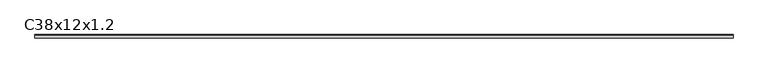
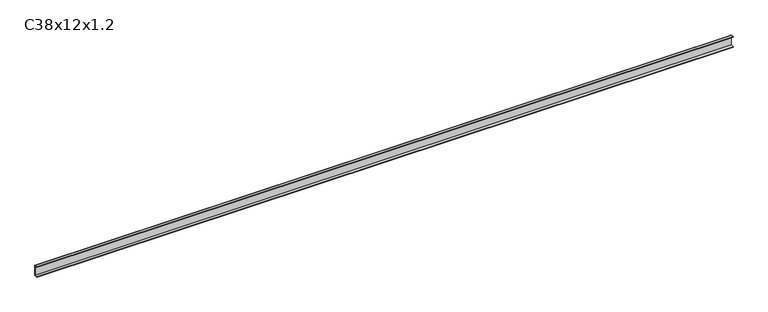
"""IFC4 building model written with IfcOpenShell, lengths in millimetres: proxy geometry, C38x12x1.2."""

import ifcopenshell
import ifcopenshell.guid

model = None  # the IFC model being written
_history = None  # IfcOwnerHistory: only IFC2X3 demands one
_inside = {}  # id of a spatial element -> (the spatial element, [elements in it])
_under = {}  # id of a project, library or spatial element -> (it, [spatial elements below it])
_declared = {}  # id of a project -> (the project, [libraries it declares])
_typed = {}  # id of a type object -> (the type object, [elements of that type])
_made_of = {}  # id of a material, layer set ... -> (it, [elements and type objects made of it])


def new_model(schema):
    """Start an empty IFC model of exactly this schema.

    Asked for "IFC4X3", IfcOpenShell would pick the latest addendum, in which some entities
    have other attributes; the version numbers below select the first issue.
    IFC2X3 requires an IfcOwnerHistory on every rooted entity: one is made here for all.
    """
    global model, _history
    if schema == "IFC4X3":
        model = ifcopenshell.file(schema_version=(4, 3, 0, 0))
    else:
        model = ifcopenshell.file(schema=schema)
    _inside.clear()
    _under.clear()
    _declared.clear()
    _typed.clear()
    _made_of.clear()
    _history = None
    if model.schema == "IFC2X3":
        org = make("IfcOrganization", Name="unknown")
        user = make(
            "IfcPersonAndOrganization",
            ThePerson=make("IfcPerson", FamilyName="unknown"),
            TheOrganization=org,
        )
        app = make(
            "IfcApplication",
            ApplicationDeveloper=org,
            Version="unknown",
            ApplicationFullName="unknown",
            ApplicationIdentifier="unknown",
        )
        _history = make(
            "IfcOwnerHistory",
            OwningUser=user,
            OwningApplication=app,
            ChangeAction="ADDED",
            CreationDate=0,
        )
    return model


def make(cls, **values):
    """One entity of the class cls with the attributes given. An attribute that is None is left unset."""
    return model.create_entity(
        cls, **{name: value for name, value in values.items() if value is not None}
    )


def rooted(cls, **values):
    """An entity with a GlobalId (a new one), such as an element, a storey or a relation."""
    return make(cls, GlobalId=ifcopenshell.guid.new(), OwnerHistory=_history, **values)


def si_unit(unit_type, name, prefix=None):
    """IfcSIUnit, for example si_unit("LENGTHUNIT", "METRE", prefix="MILLI")."""
    return make("IfcSIUnit", UnitType=unit_type, Prefix=prefix, Name=name)


def assignment(units):
    """IfcUnitAssignment: the units of a project."""
    return None if units is None else make("IfcUnitAssignment", Units=units)


def point(xyz):
    """IfcCartesianPoint."""
    return None if xyz is None else make("IfcCartesianPoint", Coordinates=xyz)


def direction(xyz):
    """IfcDirection."""
    return None if xyz is None else make("IfcDirection", DirectionRatios=xyz)


def frame(location, z_axis=None, x_axis=None):
    """IfcAxis2Placement3D, a coordinate frame: its origin and axes. An axis left out is left unset."""
    return make(
        "IfcAxis2Placement3D",
        Location=point(location),
        Axis=direction(z_axis),
        RefDirection=direction(x_axis),
    )


def frame_2d(location, x_axis=None):
    """IfcAxis2Placement2D, a coordinate frame in the plane: its origin and x axis."""
    return make(
        "IfcAxis2Placement2D", Location=point(location), RefDirection=direction(x_axis)
    )


def origin():
    """The frame at (0, 0, 0) with its axes left unset."""
    return frame((0.0, 0.0, 0.0))


def place(relative_to, where):
    """IfcLocalPlacement: puts the frame where relative to a parent placement (None: the world)."""
    return make(
        "IfcLocalPlacement", PlacementRelTo=relative_to, RelativePlacement=where
    )


def context(
    kind, dimensions, precision=None, world=None, true_north=None, identifier=None
):
    """IfcGeometricRepresentationContext, for example the 3D "Model" context."""
    return make(
        "IfcGeometricRepresentationContext",
        ContextIdentifier=identifier,
        ContextType=kind,
        CoordinateSpaceDimension=dimensions,
        Precision=precision,
        WorldCoordinateSystem=world,
        TrueNorth=true_north,
    )


def project(units=None, contexts=None):
    """IfcProject with its units and contexts."""
    return rooted(
        "IfcProject",
        Name="project",
        RepresentationContexts=contexts,
        UnitsInContext=assignment(units),
    )


def spatial(cls, under=None, at=None, **own):
    """A site, building, storey or space (cls), placed at a placement, below another one or the project."""
    s = rooted(cls, ObjectPlacement=at, **own)
    if under is not None:
        _under.setdefault(under.id(), (under, []))[1].append(s)
    return s


def polyline(points):
    """IfcPolyline through the points."""
    return make("IfcPolyline", Points=[point(p) for p in points])


def circle_curve(where, radius):
    """IfcCircle in the frame where."""
    return make("IfcCircle", Position=where, Radius=radius)


def trimmed(basis, trim1, trim2, sense, master):
    """IfcTrimmedCurve: the piece of a basis curve between two trims."""
    return make(
        "IfcTrimmedCurve",
        BasisCurve=basis,
        Trim1=trim1,
        Trim2=trim2,
        SenseAgreement=sense,
        MasterRepresentation=master,
    )


def segment(curve, same_sense, transition):
    """IfcCompositeCurveSegment."""
    return make(
        "IfcCompositeCurveSegment",
        Transition=transition,
        SameSense=same_sense,
        ParentCurve=curve,
    )


def composite_curve(segments, self_intersect=None):
    """IfcCompositeCurve: segments joined end to end."""
    return make("IfcCompositeCurve", Segments=segments, SelfIntersect=self_intersect)


def outline(outer, holes=None, kind="AREA"):
    """IfcArbitraryClosedProfileDef: a profile drawn as a closed curve; with holes, ...WithVoids."""
    if holes is None:
        return make("IfcArbitraryClosedProfileDef", ProfileType=kind, OuterCurve=outer)
    return make(
        "IfcArbitraryProfileDefWithVoids",
        ProfileType=kind,
        OuterCurve=outer,
        InnerCurves=holes,
    )


def extrude(swept, where, along, depth):
    """IfcExtrudedAreaSolid: the profile swept, set in the frame where, extruded along a direction by depth."""
    return make(
        "IfcExtrudedAreaSolid",
        SweptArea=swept,
        Position=where,
        ExtrudedDirection=direction(along),
        Depth=depth,
    )


def shape(context_of_items, identifier, shape_type, items):
    """IfcShapeRepresentation: the items that make up one representation, for example the "Body"."""
    return make(
        "IfcShapeRepresentation",
        ContextOfItems=context_of_items,
        RepresentationIdentifier=identifier,
        RepresentationType=shape_type,
        Items=items,
    )


def source(mapping_origin, context_of_items, identifier, shape_type, items):
    """IfcRepresentationMap: a shape defined once, which mapped items show again and again."""
    return make(
        "IfcRepresentationMap",
        MappingOrigin=mapping_origin,
        MappedRepresentation=shape(context_of_items, identifier, shape_type, items),
    )


def transform(
    local_origin,
    x_axis=None,
    y_axis=None,
    z_axis=None,
    scale=None,
    scale2=None,
    scale3=None,
    uniform=True,
):
    """IfcCartesianTransformationOperator3D, or its non-uniform kind. x_axis, y_axis, z_axis: its Axis1, 2, 3."""
    if uniform:
        return make(
            "IfcCartesianTransformationOperator3D",
            Axis1=direction(x_axis),
            Axis2=direction(y_axis),
            LocalOrigin=point(local_origin),
            Scale=scale,
            Axis3=direction(z_axis),
        )
    return make(
        "IfcCartesianTransformationOperator3DnonUniform",
        Axis1=direction(x_axis),
        Axis2=direction(y_axis),
        LocalOrigin=point(local_origin),
        Scale=scale,
        Axis3=direction(z_axis),
        Scale2=scale2,
        Scale3=scale3,
    )


def mapped(mapping_source, mapping_target):
    """IfcMappedItem: shows the shape of a source again, moved by a transform."""
    return make(
        "IfcMappedItem", MappingSource=mapping_source, MappingTarget=mapping_target
    )


def made_of(thing, what):
    """Note that an element or type object is made of a material, layer set ...; save() writes the relation."""
    if what is not None:
        _made_of.setdefault(what.id(), (what, []))[1].append(thing)
    return thing


def element(
    cls,
    number,
    at=None,
    inside=None,
    cuts=None,
    type_object=None,
    material=None,
    context=None,
    identifier="Body",
    shape_type=None,
    held_by="IfcProductDefinitionShape",
    body=None,
    shapes=None,
    **own,
):
    """One element of the class cls, such as IfcWall. Its Tag is "e" and its number.

    at: its placement. inside: the storey or other place that contains it. cuts: it is an
    opening in that element (IfcRelVoidsElement). A single representation is given by context,
    identifier, shape_type and body (its items); several are given by shapes. held_by: the class
    of the entity that holds the representations. save() writes the other relations.
    """
    e = rooted(cls, Tag="e%d" % number, ObjectPlacement=at, **own)
    if body is not None:
        shapes = [shape(context, identifier, shape_type, body)]
    if shapes is not None:
        e.Representation = make(held_by, Representations=shapes)
    if inside is not None:
        _inside.setdefault(inside.id(), (inside, []))[1].append(e)
    if cuts is not None:
        rooted(
            "IfcRelVoidsElement", RelatingBuildingElement=cuts, RelatedOpeningElement=e
        )
    if type_object is not None:
        _typed.setdefault(type_object.id(), (type_object, []))[1].append(e)
    return made_of(e, material)


def aggregate(whole, parts):
    """IfcRelAggregates: a whole, such as a stair, and the parts it consists of."""
    return rooted("IfcRelAggregates", RelatingObject=whole, RelatedObjects=parts)


def save(model, path):
    """Write the relations noted so far, then the file.

    IfcRelAggregates (storeys below a building ...), IfcRelContainedInSpatialStructure (elements
    in a storey), IfcRelDefinesByType, IfcRelAssociatesMaterial and IfcRelDeclares: one each for
    every whole, place, type object, material and project.
    """
    for whole, parts in _under.values():
        aggregate(whole, parts)
    for where, things in _inside.values():
        rooted(
            "IfcRelContainedInSpatialStructure",
            RelatedElements=things,
            RelatingStructure=where,
        )
    for kind, things in _typed.values():
        rooted("IfcRelDefinesByType", RelatedObjects=things, RelatingType=kind)
    for what, things in _made_of.values():
        rooted("IfcRelAssociatesMaterial", RelatedObjects=things, RelatingMaterial=what)
    for by, libraries in _declared.values():
        rooted("IfcRelDeclares", RelatingContext=by, RelatedDefinitions=libraries)
    model.write(path)


def c38x12x1_2_1b47f7a3(model_context):
    return source(origin(), model_context, "Body", "SweptSolid", [
        extrude(outline(composite_curve([segment(polyline([(-6.0, 36.8), (-6.0, 38.0), (4.8, 38.0)]), True, "CONTINUOUS"), segment(trimmed(circle_curve(frame_2d((4.8, 36.8)), 1.2), [point((4.8, 38.0))], [point((6.0, 36.8))], False, "CARTESIAN"), True, "CONTINUOUS"), segment(polyline([(6.0, 36.8), (6.0, 1.2)]), True, "CONTINUOUS"), segment(trimmed(circle_curve(frame_2d((4.8, 1.2)), 1.2), [point((6.0, 1.2))], [point((4.8, 0.0))], False, "CARTESIAN"), True, "CONTINUOUS"), segment(polyline([(4.8, 0.0), (-6.0, 0.0), (-6.0, 1.2), (4.8, 1.2), (4.8, 36.8), (-6.0, 36.8)]), True, "CONTINUOUS")], self_intersect=False)), frame((0.0, 0.0, 0.0), z_axis=(1.0, 0.0, 0.0), x_axis=(0.0, 1.0, 0.0)), (0.0, 0.0, 1.0), 2460.0),
    ])


if __name__ == "__main__":
    model = new_model("IFC4")
    model_context = context("Model", 3, world=origin())
    ifc_project = project(units=[si_unit("LENGTHUNIT", "METRE", prefix="MILLI")], contexts=[model_context])
    site = spatial("IfcSite", under=ifc_project)
    building = spatial("IfcBuilding", under=site)
    placement = place(None, origin())
    c38x12x1_2_shape = c38x12x1_2_1b47f7a3(model_context)
    element("IfcBuildingElementProxy", 1, Name="C38x12x1.2", ObjectType="C38x12x1.2", at=placement, inside=building, context=model_context, shape_type="MappedRepresentation", body=[
        mapped(c38x12x1_2_shape, transform((0.0, 0.0, 0.0), x_axis=(1.0, 0.0, 0.0), y_axis=(0.0, 1.0, 0.0), z_axis=(0.0, 0.0, 1.0))),
    ])
    save(model, "model.ifc")
